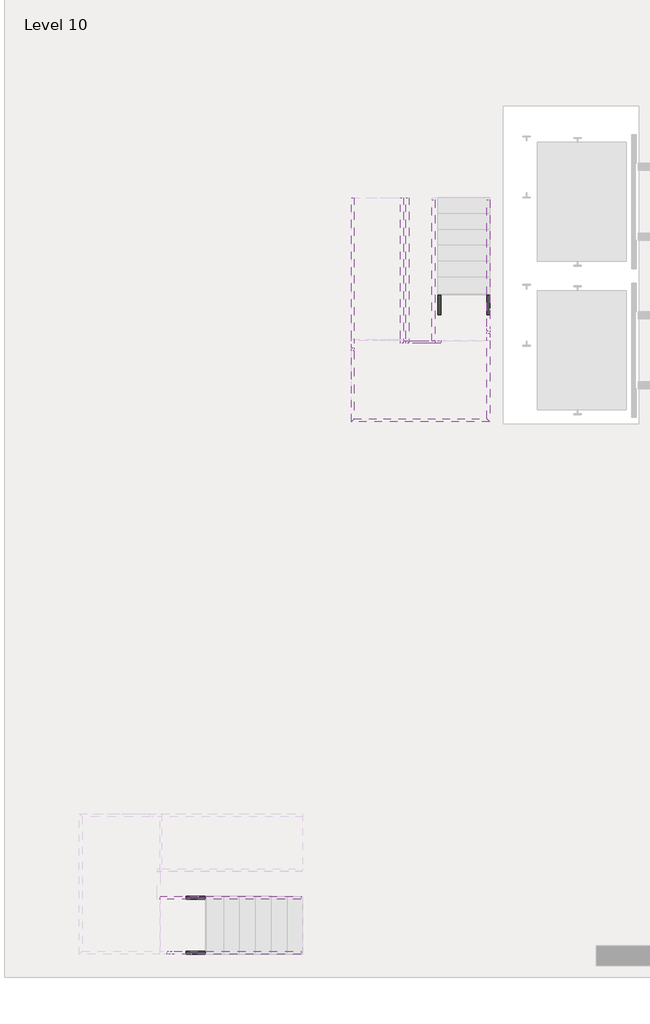
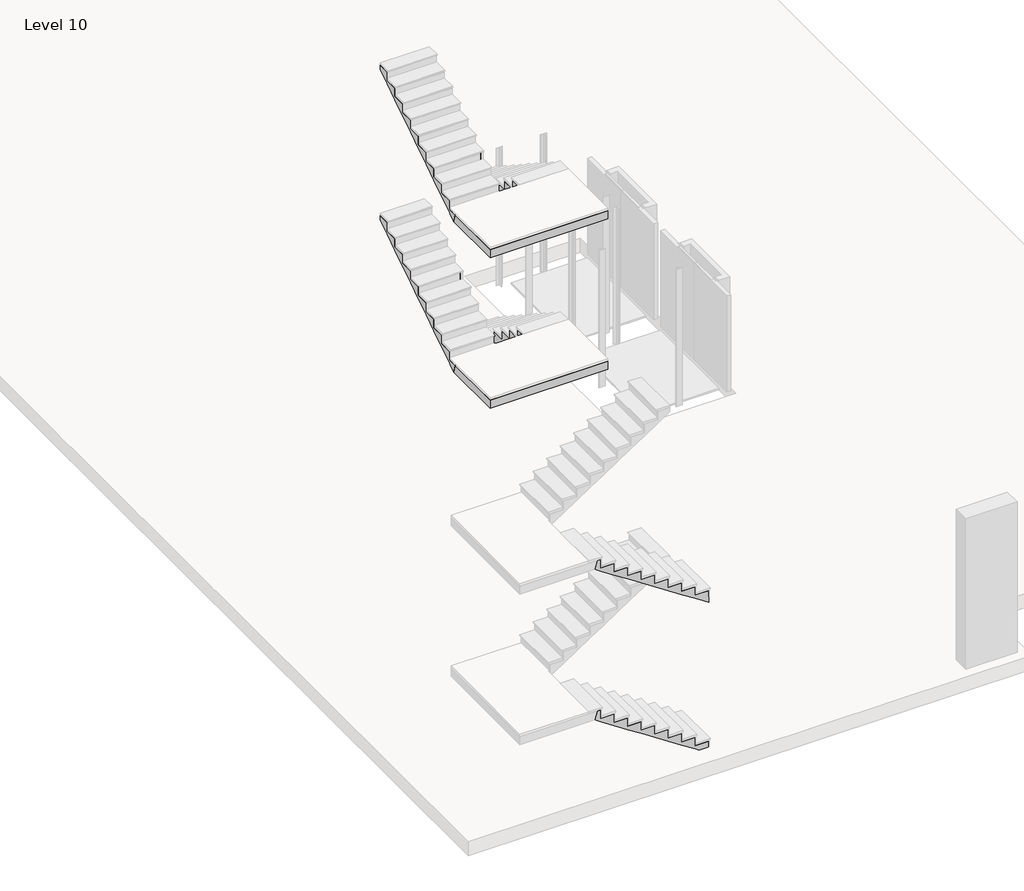
# One storey, part 11 of 11: 20 members.
"""IFC4 building model written with IfcOpenShell, lengths in millimetres."""

from ifc_helpers import new_model, si_unit, frame, origin, place, context, project, spatial, polyline, outline, extrude, faceted_brep, element, save

model = new_model("IFC4")

# Units and contexts
model_context = context("Model", 3, world=origin())
ifc_project = project(units=[si_unit("LENGTHUNIT", "METRE", prefix="MILLI")], contexts=[model_context])

# Site, building, storey
site = spatial("IfcSite", under=ifc_project)
building = spatial("IfcBuilding", under=site)
storey = spatial("IfcBuildingStorey", under=building, Name="Level 10", Elevation=0.0)

# Members
placement = place(None, origin())
element("IfcMember", 1, at=placement, inside=storey, context=model_context, shape_type="Brep", body=[
    faceted_brep([(5244.8529953, 1440.0225734, 0.0), (5051.4774062, 1440.0225734, 0.0), (5051.4774062, 1490.8225734, 0.0), (5244.8529953, 1490.8225734, 0.0), (2762.0029953, 1440.0225734, 1500.2995193), (2762.0029953, 1490.8225734, 1500.2995193), (3009.6529953, 1490.8225734, 1338.0137238), (3289.0529953, 1490.8225734, 1154.9220572), (3568.4529953, 1490.8225734, 971.8303905), (3847.8529953, 1490.8225734, 788.7387238), (4127.2529953, 1490.8225734, 605.6470572), (4406.6529953, 1490.8225734, 422.5553905), (4686.0529953, 1490.8225734, 239.4637238), (4965.4529953, 1490.8225734, 56.3720572), (2762.0029953, 1440.0225734, 1597.025), (2762.0029953, 1490.8225734, 1597.025), (5244.8529953, 1440.0225734, 132.2916667), (4965.4529953, 1440.0225734, 132.2916667), (4965.4529953, 1440.0225734, 315.3833333), (4686.0529953, 1440.0225734, 315.3833333), (4686.0529953, 1440.0225734, 498.475), (4406.6529953, 1440.0225734, 498.475), (4406.6529953, 1440.0225734, 681.5666667), (4127.2529953, 1440.0225734, 681.5666667), (4127.2529953, 1440.0225734, 864.6583333), (3847.8529953, 1440.0225734, 864.6583333), (3847.8529953, 1440.0225734, 1047.75), (3568.4529953, 1440.0225734, 1047.75), (3568.4529953, 1440.0225734, 1230.8416667), (3289.0529953, 1440.0225734, 1230.8416667), (3289.0529953, 1440.0225734, 1413.9333333), (3009.6529953, 1440.0225734, 1413.9333333), (3009.6529953, 1440.0225734, 1597.025), (3009.6529953, 1490.8225734, 1597.025), (3009.6529953, 1490.8225734, 1413.9333333), (3289.0529953, 1490.8225734, 1413.9333333), (3289.0529953, 1490.8225734, 1230.8416667), (3568.4529953, 1490.8225734, 1230.8416667), (3568.4529953, 1490.8225734, 1047.75), (3847.8529953, 1490.8225734, 1047.75), (3847.8529953, 1490.8225734, 864.6583333), (4127.2529953, 1490.8225734, 864.6583333), (4127.2529953, 1490.8225734, 681.5666667), (4406.6529953, 1490.8225734, 681.5666667), (4406.6529953, 1490.8225734, 498.475), (4686.0529953, 1490.8225734, 498.475), (4686.0529953, 1490.8225734, 315.3833333), (4965.4529953, 1490.8225734, 315.3833333), (4965.4529953, 1490.8225734, 132.2916667), (5244.8529953, 1490.8225734, 132.2916667)], [[[0, 1, 2, 3]], [[4, 5, 6, 7, 8, 9, 10, 11, 12, 13, 2, 1]], [[5, 4, 14, 15]], [[14, 4, 1, 0, 16, 17, 18, 19, 20, 21, 22, 23, 24, 25, 26, 27, 28, 29, 30, 31, 32]], [[32, 33, 15, 14]], [[5, 15, 33, 34, 35, 36, 37, 38, 39, 40, 41, 42, 43, 44, 45, 46, 47, 48, 49, 3, 2, 13, 12, 11, 10, 9, 8, 7, 6]], [[49, 16, 0, 3]], [[16, 49, 48, 17]], [[17, 48, 47, 18]], [[18, 47, 46, 19]], [[19, 46, 45, 20]], [[20, 45, 44, 21]], [[21, 44, 43, 22]], [[22, 43, 42, 23]], [[23, 42, 41, 24]], [[24, 41, 40, 25]], [[25, 40, 39, 26]], [[26, 39, 38, 27]], [[27, 38, 37, 28]], [[28, 37, 36, 29]], [[29, 36, 35, 30]], [[30, 35, 34, 31]], [[31, 34, 33, 32]]]),
])
element("IfcMember", 2, at=placement, inside=storey, context=model_context, shape_type="Brep", body=[
    faceted_brep([(2762.0029953, 1490.8225734, 4795.9495193), (2762.0029953, 1440.0225734, 4795.9495193), (2762.0029953, 1440.0225734, 4892.675), (2762.0029953, 1490.8225734, 4892.675), (5244.8529953, 1440.0225734, 3168.9303905), (5244.8529953, 1440.0225734, 3427.9416667), (4965.4529953, 1440.0225734, 3427.9416667), (4965.4529953, 1440.0225734, 3611.0333333), (4686.0529953, 1440.0225734, 3611.0333333), (4686.0529953, 1440.0225734, 3794.125), (4406.6529953, 1440.0225734, 3794.125), (4406.6529953, 1440.0225734, 3977.2166667), (4127.2529953, 1440.0225734, 3977.2166667), (4127.2529953, 1440.0225734, 4160.3083333), (3847.8529953, 1440.0225734, 4160.3083333), (3847.8529953, 1440.0225734, 4343.4), (3568.4529953, 1440.0225734, 4343.4), (3568.4529953, 1440.0225734, 4526.4916667), (3289.0529953, 1440.0225734, 4526.4916667), (3289.0529953, 1440.0225734, 4709.5833333), (3009.6529953, 1440.0225734, 4709.5833333), (3009.6529953, 1440.0225734, 4892.675), (3009.6529953, 1490.8225734, 4633.6637238), (3289.0529953, 1490.8225734, 4450.5720572), (3568.4529953, 1490.8225734, 4267.4803905), (3847.8529953, 1490.8225734, 4084.3887238), (4127.2529953, 1490.8225734, 3901.2970572), (4406.6529953, 1490.8225734, 3718.2053905), (4686.0529953, 1490.8225734, 3535.1137238), (4965.4529953, 1490.8225734, 3352.0220572), (5244.8529953, 1490.8225734, 3168.9303905), (3009.6529953, 1490.8225734, 4892.675), (3009.6529953, 1490.8225734, 4709.5833333), (3289.0529953, 1490.8225734, 4709.5833333), (3289.0529953, 1490.8225734, 4526.4916667), (3568.4529953, 1490.8225734, 4526.4916667), (3568.4529953, 1490.8225734, 4343.4), (3847.8529953, 1490.8225734, 4343.4), (3847.8529953, 1490.8225734, 4160.3083333), (4127.2529953, 1490.8225734, 4160.3083333), (4127.2529953, 1490.8225734, 3977.2166667), (4406.6529953, 1490.8225734, 3977.2166667), (4406.6529953, 1490.8225734, 3794.125), (4686.0529953, 1490.8225734, 3794.125), (4686.0529953, 1490.8225734, 3611.0333333), (4965.4529953, 1490.8225734, 3611.0333333), (4965.4529953, 1490.8225734, 3427.9416667), (5244.8529953, 1490.8225734, 3427.9416667)], [[[0, 1, 2, 3]], [[2, 1, 4, 5, 6, 7, 8, 9, 10, 11, 12, 13, 14, 15, 16, 17, 18, 19, 20, 21]], [[1, 0, 22, 23, 24, 25, 26, 27, 28, 29, 30, 4]], [[0, 3, 31, 32, 33, 34, 35, 36, 37, 38, 39, 40, 41, 42, 43, 44, 45, 46, 47, 30, 29, 28, 27, 26, 25, 24, 23, 22]], [[5, 47, 46, 6]], [[47, 5, 4, 30]], [[7, 45, 44, 8]], [[6, 46, 45, 7]], [[9, 43, 42, 10]], [[8, 44, 43, 9]], [[11, 41, 40, 12]], [[10, 42, 41, 11]], [[13, 39, 38, 14]], [[12, 40, 39, 13]], [[15, 37, 36, 16]], [[14, 38, 37, 15]], [[17, 35, 34, 18]], [[16, 36, 35, 17]], [[19, 33, 32, 20]], [[18, 34, 33, 19]], [[21, 31, 3, 2]], [[20, 32, 31, 21]]]),
])
element("IfcMember", 3, at=placement, inside=storey, context=model_context, shape_type="Brep", body=[
    faceted_brep([(5244.8529953, 474.8225734, 0.0), (5051.4774062, 474.8225734, 0.0), (5051.4774062, 525.6225734, 0.0), (5244.8529953, 525.6225734, 0.0), (2938.7905585, 474.8225734, 1597.025), (2885.723649, 474.8225734, 1419.225), (3009.6529953, 474.8225734, 1338.0137238), (3289.0529953, 474.8225734, 1154.9220572), (3568.4529953, 474.8225734, 971.8303905), (3847.8529953, 474.8225734, 788.7387238), (4127.2529953, 474.8225734, 605.6470572), (4406.6529953, 474.8225734, 422.5553905), (4686.0529953, 474.8225734, 239.4637238), (4965.4529953, 474.8225734, 56.3720572), (5244.8529953, 474.8225734, 132.2916667), (4965.4529953, 474.8225734, 132.2916667), (4965.4529953, 474.8225734, 315.3833333), (4686.0529953, 474.8225734, 315.3833333), (4686.0529953, 474.8225734, 498.475), (4406.6529953, 474.8225734, 498.475), (4406.6529953, 474.8225734, 681.5666667), (4127.2529953, 474.8225734, 681.5666667), (4127.2529953, 474.8225734, 864.6583333), (3847.8529953, 474.8225734, 864.6583333), (3847.8529953, 474.8225734, 1047.75), (3568.4529953, 474.8225734, 1047.75), (3568.4529953, 474.8225734, 1230.8416667), (3289.0529953, 474.8225734, 1230.8416667), (3289.0529953, 474.8225734, 1413.9333333), (3009.6529953, 474.8225734, 1413.9333333), (3009.6529953, 474.8225734, 1597.025), (2885.723649, 525.6225734, 1419.225), (2938.7905585, 525.6225734, 1597.025), (5244.8529953, 525.6225734, 132.2916667), (4965.4529953, 525.6225734, 132.2916667), (4965.4529953, 525.6225734, 315.3833333), (4686.0529953, 525.6225734, 315.3833333), (4686.0529953, 525.6225734, 498.475), (4406.6529953, 525.6225734, 498.475), (4406.6529953, 525.6225734, 681.5666667), (4127.2529953, 525.6225734, 681.5666667), (4127.2529953, 525.6225734, 864.6583333), (3847.8529953, 525.6225734, 864.6583333), (3847.8529953, 525.6225734, 1047.75), (3568.4529953, 525.6225734, 1047.75), (3568.4529953, 525.6225734, 1230.8416667), (3289.0529953, 525.6225734, 1230.8416667), (3289.0529953, 525.6225734, 1413.9333333), (3009.6529953, 525.6225734, 1413.9333333), (3009.6529953, 525.6225734, 1597.025)], [[[0, 1, 2, 3]], [[4, 5, 6, 7, 8, 9, 10, 11, 12, 13, 1, 0, 14, 15, 16, 17, 18, 19, 20, 21, 22, 23, 24, 25, 26, 27, 28, 29, 30]], [[31, 5, 4, 32]], [[5, 31, 2, 1, 13, 12, 11, 10, 9, 8, 7, 6]], [[33, 14, 0, 3]], [[14, 33, 34, 15]], [[15, 34, 35, 16]], [[16, 35, 36, 17]], [[17, 36, 37, 18]], [[18, 37, 38, 19]], [[19, 38, 39, 20]], [[20, 39, 40, 21]], [[21, 40, 41, 22]], [[22, 41, 42, 23]], [[23, 42, 43, 24]], [[24, 43, 44, 25]], [[25, 44, 45, 26]], [[26, 45, 46, 27]], [[27, 46, 47, 28]], [[28, 47, 48, 29]], [[29, 48, 49, 30]], [[30, 49, 32, 4]], [[2, 31, 32, 49, 48, 47, 46, 45, 44, 43, 42, 41, 40, 39, 38, 37, 36, 35, 34, 33, 3]]]),
])
element("IfcMember", 4, at=placement, inside=storey, context=model_context, shape_type="Brep", body=[
    faceted_brep([(2938.7905585, 474.8225734, 4892.675), (2885.723649, 474.8225734, 4714.875), (3009.6529953, 474.8225734, 4633.6637238), (3289.0529953, 474.8225734, 4450.5720572), (3568.4529953, 474.8225734, 4267.4803905), (3847.8529953, 474.8225734, 4084.3887238), (4127.2529953, 474.8225734, 3901.2970572), (4406.6529953, 474.8225734, 3718.2053905), (4686.0529953, 474.8225734, 3535.1137238), (4965.4529953, 474.8225734, 3352.0220572), (5244.8529953, 474.8225734, 3168.9303905), (5244.8529953, 474.8225734, 3427.9416667), (4965.4529953, 474.8225734, 3427.9416667), (4965.4529953, 474.8225734, 3611.0333333), (4686.0529953, 474.8225734, 3611.0333333), (4686.0529953, 474.8225734, 3794.125), (4406.6529953, 474.8225734, 3794.125), (4406.6529953, 474.8225734, 3977.2166667), (4127.2529953, 474.8225734, 3977.2166667), (4127.2529953, 474.8225734, 4160.3083333), (3847.8529953, 474.8225734, 4160.3083333), (3847.8529953, 474.8225734, 4343.4), (3568.4529953, 474.8225734, 4343.4), (3568.4529953, 474.8225734, 4526.4916667), (3289.0529953, 474.8225734, 4526.4916667), (3289.0529953, 474.8225734, 4709.5833333), (3009.6529953, 474.8225734, 4709.5833333), (3009.6529953, 474.8225734, 4892.675), (2885.723649, 525.6225734, 4714.875), (5244.8529953, 525.6225734, 3168.9303905), (2938.7905585, 525.6225734, 4892.675), (3009.6529953, 525.6225734, 4892.675), (3009.6529953, 525.6225734, 4709.5833333), (3289.0529953, 525.6225734, 4709.5833333), (3289.0529953, 525.6225734, 4526.4916667), (3568.4529953, 525.6225734, 4526.4916667), (3568.4529953, 525.6225734, 4343.4), (3847.8529953, 525.6225734, 4343.4), (3847.8529953, 525.6225734, 4160.3083333), (4127.2529953, 525.6225734, 4160.3083333), (4127.2529953, 525.6225734, 3977.2166667), (4406.6529953, 525.6225734, 3977.2166667), (4406.6529953, 525.6225734, 3794.125), (4686.0529953, 525.6225734, 3794.125), (4686.0529953, 525.6225734, 3611.0333333), (4965.4529953, 525.6225734, 3611.0333333), (4965.4529953, 525.6225734, 3427.9416667), (5244.8529953, 525.6225734, 3427.9416667)], [[[0, 1, 2, 3, 4, 5, 6, 7, 8, 9, 10, 11, 12, 13, 14, 15, 16, 17, 18, 19, 20, 21, 22, 23, 24, 25, 26, 27]], [[1, 28, 29, 10, 9, 8, 7, 6, 5, 4, 3, 2]], [[29, 28, 30, 31, 32, 33, 34, 35, 36, 37, 38, 39, 40, 41, 42, 43, 44, 45, 46, 47]], [[28, 1, 0, 30]], [[11, 47, 46, 12]], [[47, 11, 10, 29]], [[13, 45, 44, 14]], [[12, 46, 45, 13]], [[15, 43, 42, 16]], [[14, 44, 43, 15]], [[17, 41, 40, 18]], [[16, 42, 41, 17]], [[19, 39, 38, 20]], [[18, 40, 39, 19]], [[21, 37, 36, 22]], [[20, 38, 37, 21]], [[23, 35, 34, 24]], [[22, 36, 35, 23]], [[25, 33, 32, 26]], [[24, 34, 33, 25]], [[27, 31, 30, 0]], [[26, 32, 31, 27]]]),
])
element("IfcMember", 5, ObjectType="Carriage - 2\" Width", at=placement, inside=storey, context=model_context, shape_type="Brep", body=[
    faceted_brep([(6184.8878226, 9905.1907272, 1419.225), (6184.8878226, 11156.1812839, 1419.225), (6184.8878226, 11103.1143743, 1597.025), (6184.8878226, 9905.1907272, 1597.025), (6134.0878226, 9854.3907272, 1419.225), (6134.0878226, 11156.1812839, 1419.225), (6134.0878226, 9854.3907272, 1597.025), (6134.0878226, 11103.1143743, 1597.025)], [[[0, 1, 2, 3]], [[1, 0, 4, 5]], [[5, 4, 6, 7]], [[1, 5, 7, 2]], [[4, 0, 3, 6]], [[3, 2, 7, 6]]]),
])
element("IfcMember", 6, ObjectType="Carriage - 2\" Width", at=placement, inside=storey, context=model_context, shape_type="SweptSolid", body=[
    extrude(outline(polyline([(6184.8878226, 9905.1907272), (8521.687827, 9905.1907272), (8572.487827, 9854.3907272), (6134.0878226, 9854.3907272), (6184.8878226, 9905.1907272)])), frame((0.0, 0.0, 1419.225), z_axis=(0.0, 0.0, 1.0), x_axis=(1.0, 0.0, 0.0)), (0.0, 0.0, 1.0), 177.8),
])
element("IfcMember", 7, ObjectType="Carriage - 2\" Width", at=placement, inside=storey, context=model_context, shape_type="Brep", body=[
    faceted_brep([(8521.687827, 11403.6225913, 1419.225), (8521.687827, 9905.1907272, 1419.225), (8521.687827, 9905.1907272, 1597.025), (8521.687827, 11279.9019376, 1597.025), (8521.687827, 11456.6895008, 1597.025), (8572.487827, 11403.6225913, 1419.225), (8572.487827, 11279.9019376, 1419.225), (8572.487827, 9854.3907272, 1419.225), (8572.487827, 9854.3907272, 1597.025), (8572.487827, 11456.6895008, 1597.025), (8572.487827, 11279.9019376, 1597.025)], [[[0, 1, 2, 3, 4]], [[1, 0, 5, 6, 7]], [[8, 7, 6, 5, 9, 10]], [[1, 7, 8, 2]], [[5, 0, 4, 9]], [[10, 3, 2, 8]], [[3, 10, 9, 4]]]),
])
element("IfcMember", 8, ObjectType="Carriage - 2\" Width", at=placement, inside=storey, context=model_context, shape_type="Brep", body=[
    faceted_brep([(6184.8878226, 9905.1907272, 4714.875), (6184.8878226, 11156.1812839, 4714.875), (6184.8878226, 11103.1143743, 4892.675), (6184.8878226, 9905.1907272, 4892.675), (6134.0878226, 9854.3907272, 4714.875), (6134.0878226, 11156.1812839, 4714.875), (6134.0878226, 9854.3907272, 4892.675), (6134.0878226, 11103.1143743, 4892.675)], [[[0, 1, 2, 3]], [[1, 0, 4, 5]], [[5, 4, 6, 7]], [[1, 5, 7, 2]], [[4, 0, 3, 6]], [[3, 2, 7, 6]]]),
])
element("IfcMember", 9, ObjectType="Carriage - 2\" Width", at=placement, inside=storey, context=model_context, shape_type="SweptSolid", body=[
    extrude(outline(polyline([(6184.8878226, 9905.1907272), (8521.687827, 9905.1907272), (8572.487827, 9854.3907272), (6134.0878226, 9854.3907272), (6184.8878226, 9905.1907272)])), frame((0.0, 0.0, 4714.875), z_axis=(0.0, 0.0, 1.0), x_axis=(1.0, 0.0, 0.0)), (0.0, 0.0, 1.0), 177.8),
])
element("IfcMember", 10, ObjectType="Carriage - 2\" Width", at=placement, inside=storey, context=model_context, shape_type="Brep", body=[
    faceted_brep([(8521.687827, 11403.6225913, 4714.875), (8521.687827, 9905.1907272, 4714.875), (8521.687827, 9905.1907272, 4892.675), (8521.687827, 11279.9019376, 4892.675), (8521.687827, 11456.6895008, 4892.675), (8572.487827, 11403.6225913, 4714.875), (8572.487827, 11279.9019376, 4714.875), (8572.487827, 9854.3907272, 4714.875), (8572.487827, 9854.3907272, 4892.675), (8572.487827, 11456.6895008, 4892.675), (8572.487827, 11279.9019376, 4892.675)], [[[0, 1, 2, 3, 4]], [[1, 0, 5, 6, 7]], [[8, 7, 6, 5, 9, 10]], [[1, 7, 8, 2]], [[5, 0, 4, 9]], [[10, 3, 2, 8]], [[3, 10, 9, 4]]]),
])
element("IfcMember", 11, ObjectType="Stringer - 2\" Width", at=placement, inside=storey, context=model_context, shape_type="Brep", body=[
    faceted_brep([(7708.887827, 13762.7519376, 0.0), (7708.887827, 13569.3763485, 0.0), (7658.087827, 13569.3763485, 0.0), (7658.087827, 13762.7519376, 0.0), (7708.887827, 11279.9019376, 1500.2995193), (7658.087827, 11279.9019376, 1500.2995193), (7658.087827, 11527.5519376, 1338.0137238), (7658.087827, 11806.9519376, 1154.9220572), (7658.087827, 12086.3519376, 971.8303905), (7658.087827, 12365.7519376, 788.7387238), (7658.087827, 12645.1519376, 605.6470572), (7658.087827, 12924.5519376, 422.5553905), (7658.087827, 13203.9519376, 239.4637238), (7658.087827, 13483.3519376, 56.3720572), (7708.887827, 11279.9019376, 1597.025), (7658.087827, 11279.9019376, 1597.025), (7708.887827, 13762.7519376, 132.2916667), (7708.887827, 13483.3519376, 132.2916667), (7708.887827, 13483.3519376, 315.3833333), (7708.887827, 13203.9519376, 315.3833333), (7708.887827, 13203.9519376, 498.475), (7708.887827, 12924.5519376, 498.475), (7708.887827, 12924.5519376, 681.5666667), (7708.887827, 12645.1519376, 681.5666667), (7708.887827, 12645.1519376, 864.6583333), (7708.887827, 12365.7519376, 864.6583333), (7708.887827, 12365.7519376, 1047.75), (7708.887827, 12086.3519376, 1047.75), (7708.887827, 12086.3519376, 1230.8416667), (7708.887827, 11806.9519376, 1230.8416667), (7708.887827, 11806.9519376, 1413.9333333), (7708.887827, 11527.5519376, 1413.9333333), (7708.887827, 11527.5519376, 1597.025), (7658.087827, 11527.5519376, 1597.025), (7658.087827, 11527.5519376, 1413.9333333), (7658.087827, 11806.9519376, 1413.9333333), (7658.087827, 11806.9519376, 1230.8416667), (7658.087827, 12086.3519376, 1230.8416667), (7658.087827, 12086.3519376, 1047.75), (7658.087827, 12365.7519376, 1047.75), (7658.087827, 12365.7519376, 864.6583333), (7658.087827, 12645.1519376, 864.6583333), (7658.087827, 12645.1519376, 681.5666667), (7658.087827, 12924.5519376, 681.5666667), (7658.087827, 12924.5519376, 498.475), (7658.087827, 13203.9519376, 498.475), (7658.087827, 13203.9519376, 315.3833333), (7658.087827, 13483.3519376, 315.3833333), (7658.087827, 13483.3519376, 132.2916667), (7658.087827, 13762.7519376, 132.2916667)], [[[0, 1, 2, 3]], [[4, 5, 6, 7, 8, 9, 10, 11, 12, 13, 2, 1]], [[5, 4, 14, 15]], [[14, 4, 1, 0, 16, 17, 18, 19, 20, 21, 22, 23, 24, 25, 26, 27, 28, 29, 30, 31, 32]], [[32, 33, 15, 14]], [[5, 15, 33, 34, 35, 36, 37, 38, 39, 40, 41, 42, 43, 44, 45, 46, 47, 48, 49, 3, 2, 13, 12, 11, 10, 9, 8, 7, 6]], [[49, 16, 0, 3]], [[16, 49, 48, 17]], [[17, 48, 47, 18]], [[18, 47, 46, 19]], [[19, 46, 45, 20]], [[20, 45, 44, 21]], [[21, 44, 43, 22]], [[22, 43, 42, 23]], [[23, 42, 41, 24]], [[24, 41, 40, 25]], [[25, 40, 39, 26]], [[26, 39, 38, 27]], [[27, 38, 37, 28]], [[28, 37, 36, 29]], [[29, 36, 35, 30]], [[30, 35, 34, 31]], [[31, 34, 33, 32]]]),
])
element("IfcMember", 12, ObjectType="Stringer - 2\" Width", at=placement, inside=storey, context=model_context, shape_type="Brep", body=[
    faceted_brep([(7048.4878226, 13794.5019376, 3148.1245193), (6997.6878226, 13794.5019376, 3148.1245193), (6997.6878226, 13794.5019376, 3244.85), (7048.4878226, 13794.5019376, 3244.85), (6997.6878226, 11229.1019376, 1467.0101253), (6997.6878226, 11229.1019376, 1597.025), (6997.6878226, 11311.6519376, 1597.025), (6997.6878226, 11311.6519376, 1780.1166667), (6997.6878226, 11591.0519376, 1780.1166667), (6997.6878226, 11591.0519376, 1963.2083333), (6997.6878226, 11870.4519376, 1963.2083333), (6997.6878226, 11870.4519376, 2146.3), (6997.6878226, 12149.8519376, 2146.3), (6997.6878226, 12149.8519376, 2329.3916667), (6997.6878226, 12429.2519376, 2329.3916667), (6997.6878226, 12429.2519376, 2512.4833333), (6997.6878226, 12708.6519376, 2512.4833333), (6997.6878226, 12708.6519376, 2695.575), (6997.6878226, 12988.0519376, 2695.575), (6997.6878226, 12988.0519376, 2878.6666667), (6997.6878226, 13267.4519376, 2878.6666667), (6997.6878226, 13267.4519376, 3061.7583333), (6997.6878226, 13546.8519376, 3061.7583333), (6997.6878226, 13546.8519376, 3244.85), (7048.4878226, 13546.8519376, 2985.8387238), (7048.4878226, 13267.4519376, 2802.7470572), (7048.4878226, 12988.0519376, 2619.6553905), (7048.4878226, 12708.6519376, 2436.5637238), (7048.4878226, 12429.2519376, 2253.4720572), (7048.4878226, 12149.8519376, 2070.3803905), (7048.4878226, 11870.4519376, 1887.2887238), (7048.4878226, 11591.0519376, 1704.1970572), (7048.4878226, 11311.6519376, 1521.1053905), (7048.4878226, 11279.9019376, 1500.2995193), (7048.4878226, 11229.1019376, 1467.0101253), (7048.4878226, 13546.8519376, 3244.85), (7048.4878226, 13546.8519376, 3061.7583333), (7048.4878226, 13267.4519376, 3061.7583333), (7048.4878226, 13267.4519376, 2878.6666667), (7048.4878226, 12988.0519376, 2878.6666667), (7048.4878226, 12988.0519376, 2695.575), (7048.4878226, 12708.6519376, 2695.575), (7048.4878226, 12708.6519376, 2512.4833333), (7048.4878226, 12429.2519376, 2512.4833333), (7048.4878226, 12429.2519376, 2329.3916667), (7048.4878226, 12149.8519376, 2329.3916667), (7048.4878226, 12149.8519376, 2146.3), (7048.4878226, 11870.4519376, 2146.3), (7048.4878226, 11870.4519376, 1963.2083333), (7048.4878226, 11591.0519376, 1963.2083333), (7048.4878226, 11591.0519376, 1780.1166667), (7048.4878226, 11311.6519376, 1780.1166667), (7048.4878226, 11311.6519376, 1597.025), (7048.4878226, 11279.9019376, 1597.025), (7048.4878226, 11229.1019376, 1597.025)], [[[0, 1, 2, 3]], [[1, 4, 5, 6, 7, 8, 9, 10, 11, 12, 13, 14, 15, 16, 17, 18, 19, 20, 21, 22, 23, 2]], [[1, 0, 24, 25, 26, 27, 28, 29, 30, 31, 32, 33, 34, 4]], [[0, 3, 35, 36, 37, 38, 39, 40, 41, 42, 43, 44, 45, 46, 47, 48, 49, 50, 51, 52, 53, 54, 34, 33, 32, 31, 30, 29, 28, 27, 26, 25, 24]], [[4, 34, 54, 5]], [[7, 51, 50, 8]], [[51, 7, 6, 52]], [[9, 49, 48, 10]], [[8, 50, 49, 9]], [[11, 47, 46, 12]], [[10, 48, 47, 11]], [[13, 45, 44, 14]], [[12, 46, 45, 13]], [[15, 43, 42, 16]], [[14, 44, 43, 15]], [[17, 41, 40, 18]], [[16, 42, 41, 17]], [[19, 39, 38, 20]], [[18, 40, 39, 19]], [[21, 37, 36, 22]], [[20, 38, 37, 21]], [[23, 35, 3, 2]], [[22, 36, 35, 23]], [[52, 6, 5, 54, 53]]]),
])
element("IfcMember", 13, ObjectType="Stringer - 2\" Width", at=placement, inside=storey, context=model_context, shape_type="Brep", body=[
    faceted_brep([(7048.4878226, 11229.1019376, 1419.225), (7708.887827, 11229.1019376, 1419.225), (7708.887827, 11229.1019376, 1597.025), (7048.4878226, 11229.1019376, 1597.025), (7048.4878226, 11279.9019376, 1419.225), (7658.087827, 11279.9019376, 1419.225), (7708.887827, 11279.9019376, 1419.225), (7708.887827, 11279.9019376, 1597.025), (7048.4878226, 11279.9019376, 1597.025), (7658.087827, 11279.9019376, 1597.025)], [[[0, 1, 2, 3]], [[1, 0, 4, 5, 6]], [[7, 6, 5, 4, 8, 9]], [[1, 6, 7, 2]], [[4, 0, 3, 8]], [[3, 2, 7, 9, 8]]]),
])
element("IfcMember", 14, ObjectType="Stringer - 2\" Width", at=placement, inside=storey, context=model_context, shape_type="Brep", body=[
    faceted_brep([(7556.487827, 11279.9019376, 4795.9495193), (7607.287827, 11279.9019376, 4795.9495193), (7607.287827, 11279.9019376, 4892.675), (7556.487827, 11279.9019376, 4892.675), (7607.287827, 13762.7519376, 3168.9303905), (7607.287827, 13762.7519376, 3427.9416667), (7607.287827, 13483.3519376, 3427.9416667), (7607.287827, 13483.3519376, 3611.0333333), (7607.287827, 13203.9519376, 3611.0333333), (7607.287827, 13203.9519376, 3794.125), (7607.287827, 12924.5519376, 3794.125), (7607.287827, 12924.5519376, 3977.2166667), (7607.287827, 12645.1519376, 3977.2166667), (7607.287827, 12645.1519376, 4160.3083333), (7607.287827, 12365.7519376, 4160.3083333), (7607.287827, 12365.7519376, 4343.4), (7607.287827, 12086.3519376, 4343.4), (7607.287827, 12086.3519376, 4526.4916667), (7607.287827, 11806.9519376, 4526.4916667), (7607.287827, 11806.9519376, 4709.5833333), (7607.287827, 11527.5519376, 4709.5833333), (7607.287827, 11527.5519376, 4892.675), (7556.487827, 11527.5519376, 4633.6637238), (7556.487827, 11806.9519376, 4450.5720572), (7556.487827, 12086.3519376, 4267.4803905), (7556.487827, 12365.7519376, 4084.3887238), (7556.487827, 12645.1519376, 3901.2970572), (7556.487827, 12924.5519376, 3718.2053905), (7556.487827, 13203.9519376, 3535.1137238), (7556.487827, 13483.3519376, 3352.0220572), (7556.487827, 13762.7519376, 3168.9303905), (7556.487827, 11527.5519376, 4892.675), (7556.487827, 11527.5519376, 4709.5833333), (7556.487827, 11806.9519376, 4709.5833333), (7556.487827, 11806.9519376, 4526.4916667), (7556.487827, 12086.3519376, 4526.4916667), (7556.487827, 12086.3519376, 4343.4), (7556.487827, 12365.7519376, 4343.4), (7556.487827, 12365.7519376, 4160.3083333), (7556.487827, 12645.1519376, 4160.3083333), (7556.487827, 12645.1519376, 3977.2166667), (7556.487827, 12924.5519376, 3977.2166667), (7556.487827, 12924.5519376, 3794.125), (7556.487827, 13203.9519376, 3794.125), (7556.487827, 13203.9519376, 3611.0333333), (7556.487827, 13483.3519376, 3611.0333333), (7556.487827, 13483.3519376, 3427.9416667), (7556.487827, 13762.7519376, 3427.9416667)], [[[0, 1, 2, 3]], [[2, 1, 4, 5, 6, 7, 8, 9, 10, 11, 12, 13, 14, 15, 16, 17, 18, 19, 20, 21]], [[1, 0, 22, 23, 24, 25, 26, 27, 28, 29, 30, 4]], [[0, 3, 31, 32, 33, 34, 35, 36, 37, 38, 39, 40, 41, 42, 43, 44, 45, 46, 47, 30, 29, 28, 27, 26, 25, 24, 23, 22]], [[5, 47, 46, 6]], [[47, 5, 4, 30]], [[7, 45, 44, 8]], [[6, 46, 45, 7]], [[9, 43, 42, 10]], [[8, 44, 43, 9]], [[11, 41, 40, 12]], [[10, 42, 41, 11]], [[13, 39, 38, 14]], [[12, 40, 39, 13]], [[15, 37, 36, 16]], [[14, 38, 37, 15]], [[17, 35, 34, 18]], [[16, 36, 35, 17]], [[19, 33, 32, 20]], [[18, 34, 33, 19]], [[21, 31, 3, 2]], [[20, 32, 31, 21]]]),
])
element("IfcMember", 15, ObjectType="Stringer - 2\" Width", at=placement, inside=storey, context=model_context, shape_type="Brep", body=[
    faceted_brep([(7150.0878226, 13794.5019376, 6443.7745193), (7099.2878226, 13794.5019376, 6443.7745193), (7099.2878226, 13794.5019376, 6540.5), (7150.0878226, 13794.5019376, 6540.5), (7099.2878226, 11229.1019376, 4762.6601253), (7099.2878226, 11229.1019376, 4892.675), (7099.2878226, 11311.6519376, 4892.675), (7099.2878226, 11311.6519376, 5075.7666667), (7099.2878226, 11591.0519376, 5075.7666667), (7099.2878226, 11591.0519376, 5258.8583333), (7099.2878226, 11870.4519376, 5258.8583333), (7099.2878226, 11870.4519376, 5441.95), (7099.2878226, 12149.8519376, 5441.95), (7099.2878226, 12149.8519376, 5625.0416667), (7099.2878226, 12429.2519376, 5625.0416667), (7099.2878226, 12429.2519376, 5808.1333333), (7099.2878226, 12708.6519376, 5808.1333333), (7099.2878226, 12708.6519376, 5991.225), (7099.2878226, 12988.0519376, 5991.225), (7099.2878226, 12988.0519376, 6174.3166667), (7099.2878226, 13267.4519376, 6174.3166667), (7099.2878226, 13267.4519376, 6357.4083333), (7099.2878226, 13546.8519376, 6357.4083333), (7099.2878226, 13546.8519376, 6540.5), (7150.0878226, 13546.8519376, 6281.4887238), (7150.0878226, 13267.4519376, 6098.3970572), (7150.0878226, 12988.0519376, 5915.3053905), (7150.0878226, 12708.6519376, 5732.2137238), (7150.0878226, 12429.2519376, 5549.1220572), (7150.0878226, 12149.8519376, 5366.0303905), (7150.0878226, 11870.4519376, 5182.9387238), (7150.0878226, 11591.0519376, 4999.8470572), (7150.0878226, 11311.6519376, 4816.7553905), (7150.0878226, 11279.9019376, 4795.9495193), (7150.0878226, 11229.1019376, 4762.6601253), (7150.0878226, 13546.8519376, 6540.5), (7150.0878226, 13546.8519376, 6357.4083333), (7150.0878226, 13267.4519376, 6357.4083333), (7150.0878226, 13267.4519376, 6174.3166667), (7150.0878226, 12988.0519376, 6174.3166667), (7150.0878226, 12988.0519376, 5991.225), (7150.0878226, 12708.6519376, 5991.225), (7150.0878226, 12708.6519376, 5808.1333333), (7150.0878226, 12429.2519376, 5808.1333333), (7150.0878226, 12429.2519376, 5625.0416667), (7150.0878226, 12149.8519376, 5625.0416667), (7150.0878226, 12149.8519376, 5441.95), (7150.0878226, 11870.4519376, 5441.95), (7150.0878226, 11870.4519376, 5258.8583333), (7150.0878226, 11591.0519376, 5258.8583333), (7150.0878226, 11591.0519376, 5075.7666667), (7150.0878226, 11311.6519376, 5075.7666667), (7150.0878226, 11311.6519376, 4892.675), (7150.0878226, 11279.9019376, 4892.675), (7150.0878226, 11229.1019376, 4892.675)], [[[0, 1, 2, 3]], [[1, 4, 5, 6, 7, 8, 9, 10, 11, 12, 13, 14, 15, 16, 17, 18, 19, 20, 21, 22, 23, 2]], [[1, 0, 24, 25, 26, 27, 28, 29, 30, 31, 32, 33, 34, 4]], [[0, 3, 35, 36, 37, 38, 39, 40, 41, 42, 43, 44, 45, 46, 47, 48, 49, 50, 51, 52, 53, 54, 34, 33, 32, 31, 30, 29, 28, 27, 26, 25, 24]], [[4, 34, 54, 5]], [[7, 51, 50, 8]], [[51, 7, 6, 52]], [[9, 49, 48, 10]], [[8, 50, 49, 9]], [[11, 47, 46, 12]], [[10, 48, 47, 11]], [[13, 45, 44, 14]], [[12, 46, 45, 13]], [[15, 43, 42, 16]], [[14, 44, 43, 15]], [[17, 41, 40, 18]], [[16, 42, 41, 17]], [[19, 39, 38, 20]], [[18, 40, 39, 19]], [[21, 37, 36, 22]], [[20, 38, 37, 21]], [[23, 35, 3, 2]], [[22, 36, 35, 23]], [[52, 6, 5, 54, 53]]]),
])
element("IfcMember", 16, ObjectType="Stringer - 2\" Width", at=placement, inside=storey, context=model_context, shape_type="Brep", body=[
    faceted_brep([(7150.0878226, 11229.1019376, 4714.875), (7607.287827, 11229.1019376, 4714.875), (7607.287827, 11229.1019376, 4892.675), (7150.0878226, 11229.1019376, 4892.675), (7150.0878226, 11279.9019376, 4714.875), (7556.487827, 11279.9019376, 4714.875), (7607.287827, 11279.9019376, 4714.875), (7607.287827, 11279.9019376, 4892.675), (7150.0878226, 11279.9019376, 4892.675), (7556.487827, 11279.9019376, 4892.675)], [[[0, 1, 2, 3]], [[1, 0, 4, 5, 6]], [[7, 6, 5, 4, 8, 9]], [[1, 6, 7, 2]], [[4, 0, 3, 8]], [[3, 2, 7, 9, 8]]]),
])
element("IfcMember", 17, ObjectType="Stringer - 2\" Width", at=placement, inside=storey, context=model_context, shape_type="Brep", body=[
    faceted_brep([(8572.487827, 13762.7519376, 0.0), (8572.487827, 13569.3763485, 0.0), (8521.687827, 13569.3763485, 0.0), (8521.687827, 13762.7519376, 0.0), (8572.487827, 11456.6895008, 1597.025), (8572.487827, 11403.6225913, 1419.225), (8572.487827, 11527.5519376, 1338.0137238), (8572.487827, 11806.9519376, 1154.9220572), (8572.487827, 12086.3519376, 971.8303905), (8572.487827, 12365.7519376, 788.7387238), (8572.487827, 12645.1519376, 605.6470572), (8572.487827, 12924.5519376, 422.5553905), (8572.487827, 13203.9519376, 239.4637238), (8572.487827, 13483.3519376, 56.3720572), (8572.487827, 13762.7519376, 132.2916667), (8572.487827, 13483.3519376, 132.2916667), (8572.487827, 13483.3519376, 315.3833333), (8572.487827, 13203.9519376, 315.3833333), (8572.487827, 13203.9519376, 498.475), (8572.487827, 12924.5519376, 498.475), (8572.487827, 12924.5519376, 681.5666667), (8572.487827, 12645.1519376, 681.5666667), (8572.487827, 12645.1519376, 864.6583333), (8572.487827, 12365.7519376, 864.6583333), (8572.487827, 12365.7519376, 1047.75), (8572.487827, 12086.3519376, 1047.75), (8572.487827, 12086.3519376, 1230.8416667), (8572.487827, 11806.9519376, 1230.8416667), (8572.487827, 11806.9519376, 1413.9333333), (8572.487827, 11527.5519376, 1413.9333333), (8572.487827, 11527.5519376, 1597.025), (8521.687827, 11403.6225913, 1419.225), (8521.687827, 11456.6895008, 1597.025), (8521.687827, 13762.7519376, 132.2916667), (8521.687827, 13483.3519376, 132.2916667), (8521.687827, 13483.3519376, 315.3833333), (8521.687827, 13203.9519376, 315.3833333), (8521.687827, 13203.9519376, 498.475), (8521.687827, 12924.5519376, 498.475), (8521.687827, 12924.5519376, 681.5666667), (8521.687827, 12645.1519376, 681.5666667), (8521.687827, 12645.1519376, 864.6583333), (8521.687827, 12365.7519376, 864.6583333), (8521.687827, 12365.7519376, 1047.75), (8521.687827, 12086.3519376, 1047.75), (8521.687827, 12086.3519376, 1230.8416667), (8521.687827, 11806.9519376, 1230.8416667), (8521.687827, 11806.9519376, 1413.9333333), (8521.687827, 11527.5519376, 1413.9333333), (8521.687827, 11527.5519376, 1597.025)], [[[0, 1, 2, 3]], [[4, 5, 6, 7, 8, 9, 10, 11, 12, 13, 1, 0, 14, 15, 16, 17, 18, 19, 20, 21, 22, 23, 24, 25, 26, 27, 28, 29, 30]], [[31, 5, 4, 32]], [[5, 31, 2, 1, 13, 12, 11, 10, 9, 8, 7, 6]], [[33, 14, 0, 3]], [[14, 33, 34, 15]], [[15, 34, 35, 16]], [[16, 35, 36, 17]], [[17, 36, 37, 18]], [[18, 37, 38, 19]], [[19, 38, 39, 20]], [[20, 39, 40, 21]], [[21, 40, 41, 22]], [[22, 41, 42, 23]], [[23, 42, 43, 24]], [[24, 43, 44, 25]], [[25, 44, 45, 26]], [[26, 45, 46, 27]], [[27, 46, 47, 28]], [[28, 47, 48, 29]], [[29, 48, 49, 30]], [[30, 49, 32, 4]], [[2, 31, 32, 49, 48, 47, 46, 45, 44, 43, 42, 41, 40, 39, 38, 37, 36, 35, 34, 33, 3]]]),
])
element("IfcMember", 18, ObjectType="Stringer - 2\" Width", at=placement, inside=storey, context=model_context, shape_type="Brep", body=[
    faceted_brep([(6184.8878226, 13794.5019376, 3148.1245193), (6134.0878226, 13794.5019376, 3148.1245193), (6134.0878226, 13794.5019376, 3244.85), (6184.8878226, 13794.5019376, 3244.85), (6134.0878226, 13546.8519376, 2985.8387238), (6134.0878226, 13267.4519376, 2802.7470572), (6134.0878226, 12988.0519376, 2619.6553905), (6134.0878226, 12708.6519376, 2436.5637238), (6134.0878226, 12429.2519376, 2253.4720572), (6134.0878226, 12149.8519376, 2070.3803905), (6134.0878226, 11870.4519376, 1887.2887238), (6134.0878226, 11591.0519376, 1704.1970572), (6134.0878226, 11311.6519376, 1521.1053905), (6134.0878226, 11279.9019376, 1500.2995193), (6134.0878226, 11156.1812839, 1419.225), (6134.0878226, 11103.1143743, 1597.025), (6134.0878226, 11279.9019376, 1597.025), (6134.0878226, 11311.6519376, 1597.025), (6134.0878226, 11311.6519376, 1780.1166667), (6134.0878226, 11591.0519376, 1780.1166667), (6134.0878226, 11591.0519376, 1963.2083333), (6134.0878226, 11870.4519376, 1963.2083333), (6134.0878226, 11870.4519376, 2146.3), (6134.0878226, 12149.8519376, 2146.3), (6134.0878226, 12149.8519376, 2329.3916667), (6134.0878226, 12429.2519376, 2329.3916667), (6134.0878226, 12429.2519376, 2512.4833333), (6134.0878226, 12708.6519376, 2512.4833333), (6134.0878226, 12708.6519376, 2695.575), (6134.0878226, 12988.0519376, 2695.575), (6134.0878226, 12988.0519376, 2878.6666667), (6134.0878226, 13267.4519376, 2878.6666667), (6134.0878226, 13267.4519376, 3061.7583333), (6134.0878226, 13546.8519376, 3061.7583333), (6134.0878226, 13546.8519376, 3244.85), (6184.8878226, 11156.1812839, 1419.225), (6184.8878226, 13546.8519376, 3244.85), (6184.8878226, 13546.8519376, 3061.7583333), (6184.8878226, 13267.4519376, 3061.7583333), (6184.8878226, 13267.4519376, 2878.6666667), (6184.8878226, 12988.0519376, 2878.6666667), (6184.8878226, 12988.0519376, 2695.575), (6184.8878226, 12708.6519376, 2695.575), (6184.8878226, 12708.6519376, 2512.4833333), (6184.8878226, 12429.2519376, 2512.4833333), (6184.8878226, 12429.2519376, 2329.3916667), (6184.8878226, 12149.8519376, 2329.3916667), (6184.8878226, 12149.8519376, 2146.3), (6184.8878226, 11870.4519376, 2146.3), (6184.8878226, 11870.4519376, 1963.2083333), (6184.8878226, 11591.0519376, 1963.2083333), (6184.8878226, 11591.0519376, 1780.1166667), (6184.8878226, 11311.6519376, 1780.1166667), (6184.8878226, 11311.6519376, 1597.025), (6184.8878226, 11103.1143743, 1597.025)], [[[0, 1, 2, 3]], [[2, 1, 4, 5, 6, 7, 8, 9, 10, 11, 12, 13, 14, 15, 16, 17, 18, 19, 20, 21, 22, 23, 24, 25, 26, 27, 28, 29, 30, 31, 32, 33, 34]], [[1, 0, 35, 14, 13, 12, 11, 10, 9, 8, 7, 6, 5, 4]], [[35, 0, 3, 36, 37, 38, 39, 40, 41, 42, 43, 44, 45, 46, 47, 48, 49, 50, 51, 52, 53, 54]], [[14, 35, 54, 15]], [[18, 52, 51, 19]], [[52, 18, 17, 53]], [[20, 50, 49, 21]], [[19, 51, 50, 20]], [[22, 48, 47, 23]], [[21, 49, 48, 22]], [[24, 46, 45, 25]], [[23, 47, 46, 24]], [[26, 44, 43, 27]], [[25, 45, 44, 26]], [[28, 42, 41, 29]], [[27, 43, 42, 28]], [[30, 40, 39, 31]], [[29, 41, 40, 30]], [[32, 38, 37, 33]], [[31, 39, 38, 32]], [[34, 36, 3, 2]], [[33, 37, 36, 34]], [[53, 17, 16, 15, 54]]]),
])
element("IfcMember", 19, ObjectType="Stringer - 2\" Width", at=placement, inside=storey, context=model_context, shape_type="Brep", body=[
    faceted_brep([(8572.487827, 11456.6895008, 4892.675), (8572.487827, 11403.6225913, 4714.875), (8572.487827, 11527.5519376, 4633.6637238), (8572.487827, 11806.9519376, 4450.5720572), (8572.487827, 12086.3519376, 4267.4803905), (8572.487827, 12365.7519376, 4084.3887238), (8572.487827, 12645.1519376, 3901.2970572), (8572.487827, 12924.5519376, 3718.2053905), (8572.487827, 13203.9519376, 3535.1137238), (8572.487827, 13483.3519376, 3352.0220572), (8572.487827, 13762.7519376, 3168.9303905), (8572.487827, 13762.7519376, 3427.9416667), (8572.487827, 13483.3519376, 3427.9416667), (8572.487827, 13483.3519376, 3611.0333333), (8572.487827, 13203.9519376, 3611.0333333), (8572.487827, 13203.9519376, 3794.125), (8572.487827, 12924.5519376, 3794.125), (8572.487827, 12924.5519376, 3977.2166667), (8572.487827, 12645.1519376, 3977.2166667), (8572.487827, 12645.1519376, 4160.3083333), (8572.487827, 12365.7519376, 4160.3083333), (8572.487827, 12365.7519376, 4343.4), (8572.487827, 12086.3519376, 4343.4), (8572.487827, 12086.3519376, 4526.4916667), (8572.487827, 11806.9519376, 4526.4916667), (8572.487827, 11806.9519376, 4709.5833333), (8572.487827, 11527.5519376, 4709.5833333), (8572.487827, 11527.5519376, 4892.675), (8521.687827, 11403.6225913, 4714.875), (8521.687827, 13762.7519376, 3168.9303905), (8521.687827, 11456.6895008, 4892.675), (8521.687827, 11527.5519376, 4892.675), (8521.687827, 11527.5519376, 4709.5833333), (8521.687827, 11806.9519376, 4709.5833333), (8521.687827, 11806.9519376, 4526.4916667), (8521.687827, 12086.3519376, 4526.4916667), (8521.687827, 12086.3519376, 4343.4), (8521.687827, 12365.7519376, 4343.4), (8521.687827, 12365.7519376, 4160.3083333), (8521.687827, 12645.1519376, 4160.3083333), (8521.687827, 12645.1519376, 3977.2166667), (8521.687827, 12924.5519376, 3977.2166667), (8521.687827, 12924.5519376, 3794.125), (8521.687827, 13203.9519376, 3794.125), (8521.687827, 13203.9519376, 3611.0333333), (8521.687827, 13483.3519376, 3611.0333333), (8521.687827, 13483.3519376, 3427.9416667), (8521.687827, 13762.7519376, 3427.9416667)], [[[0, 1, 2, 3, 4, 5, 6, 7, 8, 9, 10, 11, 12, 13, 14, 15, 16, 17, 18, 19, 20, 21, 22, 23, 24, 25, 26, 27]], [[1, 28, 29, 10, 9, 8, 7, 6, 5, 4, 3, 2]], [[29, 28, 30, 31, 32, 33, 34, 35, 36, 37, 38, 39, 40, 41, 42, 43, 44, 45, 46, 47]], [[28, 1, 0, 30]], [[11, 47, 46, 12]], [[47, 11, 10, 29]], [[13, 45, 44, 14]], [[12, 46, 45, 13]], [[15, 43, 42, 16]], [[14, 44, 43, 15]], [[17, 41, 40, 18]], [[16, 42, 41, 17]], [[19, 39, 38, 20]], [[18, 40, 39, 19]], [[21, 37, 36, 22]], [[20, 38, 37, 21]], [[23, 35, 34, 24]], [[22, 36, 35, 23]], [[25, 33, 32, 26]], [[24, 34, 33, 25]], [[27, 31, 30, 0]], [[26, 32, 31, 27]]]),
])
element("IfcMember", 20, ObjectType="Stringer - 2\" Width", at=placement, inside=storey, context=model_context, shape_type="Brep", body=[
    faceted_brep([(6184.8878226, 13794.5019376, 6443.7745193), (6134.0878226, 13794.5019376, 6443.7745193), (6134.0878226, 13794.5019376, 6540.5), (6184.8878226, 13794.5019376, 6540.5), (6134.0878226, 13546.8519376, 6281.4887238), (6134.0878226, 13267.4519376, 6098.3970572), (6134.0878226, 12988.0519376, 5915.3053905), (6134.0878226, 12708.6519376, 5732.2137238), (6134.0878226, 12429.2519376, 5549.1220572), (6134.0878226, 12149.8519376, 5366.0303905), (6134.0878226, 11870.4519376, 5182.9387238), (6134.0878226, 11591.0519376, 4999.8470572), (6134.0878226, 11311.6519376, 4816.7553905), (6134.0878226, 11279.9019376, 4795.9495193), (6134.0878226, 11156.1812839, 4714.875), (6134.0878226, 11103.1143743, 4892.675), (6134.0878226, 11279.9019376, 4892.675), (6134.0878226, 11311.6519376, 4892.675), (6134.0878226, 11311.6519376, 5075.7666667), (6134.0878226, 11591.0519376, 5075.7666667), (6134.0878226, 11591.0519376, 5258.8583333), (6134.0878226, 11870.4519376, 5258.8583333), (6134.0878226, 11870.4519376, 5441.95), (6134.0878226, 12149.8519376, 5441.95), (6134.0878226, 12149.8519376, 5625.0416667), (6134.0878226, 12429.2519376, 5625.0416667), (6134.0878226, 12429.2519376, 5808.1333333), (6134.0878226, 12708.6519376, 5808.1333333), (6134.0878226, 12708.6519376, 5991.225), (6134.0878226, 12988.0519376, 5991.225), (6134.0878226, 12988.0519376, 6174.3166667), (6134.0878226, 13267.4519376, 6174.3166667), (6134.0878226, 13267.4519376, 6357.4083333), (6134.0878226, 13546.8519376, 6357.4083333), (6134.0878226, 13546.8519376, 6540.5), (6184.8878226, 11156.1812839, 4714.875), (6184.8878226, 13546.8519376, 6540.5), (6184.8878226, 13546.8519376, 6357.4083333), (6184.8878226, 13267.4519376, 6357.4083333), (6184.8878226, 13267.4519376, 6174.3166667), (6184.8878226, 12988.0519376, 6174.3166667), (6184.8878226, 12988.0519376, 5991.225), (6184.8878226, 12708.6519376, 5991.225), (6184.8878226, 12708.6519376, 5808.1333333), (6184.8878226, 12429.2519376, 5808.1333333), (6184.8878226, 12429.2519376, 5625.0416667), (6184.8878226, 12149.8519376, 5625.0416667), (6184.8878226, 12149.8519376, 5441.95), (6184.8878226, 11870.4519376, 5441.95), (6184.8878226, 11870.4519376, 5258.8583333), (6184.8878226, 11591.0519376, 5258.8583333), (6184.8878226, 11591.0519376, 5075.7666667), (6184.8878226, 11311.6519376, 5075.7666667), (6184.8878226, 11311.6519376, 4892.675), (6184.8878226, 11103.1143743, 4892.675)], [[[0, 1, 2, 3]], [[2, 1, 4, 5, 6, 7, 8, 9, 10, 11, 12, 13, 14, 15, 16, 17, 18, 19, 20, 21, 22, 23, 24, 25, 26, 27, 28, 29, 30, 31, 32, 33, 34]], [[1, 0, 35, 14, 13, 12, 11, 10, 9, 8, 7, 6, 5, 4]], [[35, 0, 3, 36, 37, 38, 39, 40, 41, 42, 43, 44, 45, 46, 47, 48, 49, 50, 51, 52, 53, 54]], [[14, 35, 54, 15]], [[18, 52, 51, 19]], [[52, 18, 17, 53]], [[20, 50, 49, 21]], [[19, 51, 50, 20]], [[22, 48, 47, 23]], [[21, 49, 48, 22]], [[24, 46, 45, 25]], [[23, 47, 46, 24]], [[26, 44, 43, 27]], [[25, 45, 44, 26]], [[28, 42, 41, 29]], [[27, 43, 42, 28]], [[30, 40, 39, 31]], [[29, 41, 40, 30]], [[32, 38, 37, 33]], [[31, 39, 38, 32]], [[34, 36, 3, 2]], [[33, 37, 36, 34]], [[53, 17, 16, 15, 54]]]),
])

save(model, "model.ifc")
